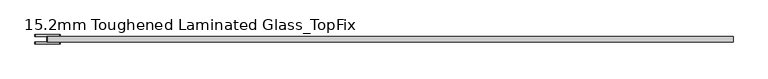
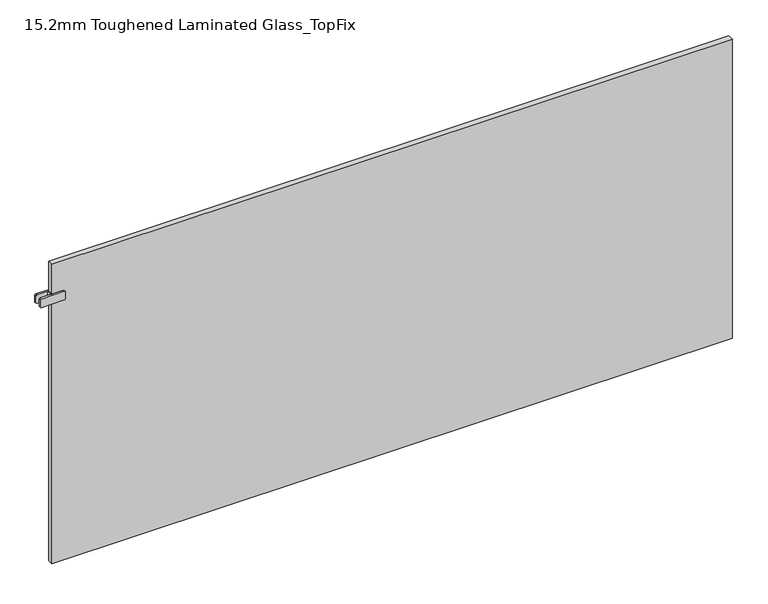
"""IFC4 building model written with IfcOpenShell, lengths in millimetres: plate geometry, 15.2mm Toughened Laminated Glass_TopFix."""

from ifc_helpers import new_model, si_unit, point, frame, frame_2d, origin, origin_with_axes, place, context, project, spatial, polyline, circle_curve, trimmed, segment, composite_curve, outline, extrude, source, transform, mapped, element, save


def plate_15_2mm_toughened_laminated_glass_topfix_8e17ea96(model_context):
    return source(origin(), model_context, "Body", "SweptSolid", [
        extrude(outline(polyline([(-947.5000001, -7.6), (-947.5000001, 7.6), (-942.5000001, 7.6), (-942.5000001, -7.6), (-947.5000001, -7.6)])), frame((0.0, 0.0, 766.5), z_axis=(0.0, 0.0, 1.0), x_axis=(1.0, 0.0, 0.0)), (0.0, 0.0, 1.0), 25.0),
        extrude(outline(composite_curve([segment(trimmed(circle_curve(frame_2d((769.5, -913.0000001)), 3.0), [point((766.5, -913.0000001))], [point((769.5, -910.0000001))], False, "CARTESIAN"), True, "CONTINUOUS"), segment(polyline([(769.5, -910.0000001), (788.5, -910.0000001)]), True, "CONTINUOUS"), segment(trimmed(circle_curve(frame_2d((788.5, -913.0000001)), 3.0), [point((788.5, -910.0000001))], [point((791.5, -913.0000001))], False, "CARTESIAN"), True, "CONTINUOUS"), segment(polyline([(791.5, -913.0000001), (791.5, -977.0000001)]), True, "CONTINUOUS"), segment(trimmed(circle_curve(frame_2d((788.5, -977.0000001)), 3.0), [point((791.5, -977.0000001))], [point((788.5, -980.0000001))], False, "CARTESIAN"), True, "CONTINUOUS"), segment(polyline([(788.5, -980.0000001), (769.5, -980.0000001)]), True, "CONTINUOUS"), segment(trimmed(circle_curve(frame_2d((769.5, -977.0000001)), 3.0), [point((769.5, -980.0000001))], [point((766.5, -977.0000001))], False, "CARTESIAN"), True, "CONTINUOUS"), segment(polyline([(766.5, -977.0000001), (766.5, -913.0000001)]), True, "CONTINUOUS")], self_intersect=False)), frame((0.0, 7.6, 0.0), z_axis=(0.0, 1.0, 0.0), x_axis=(0.0, 0.0, 1.0)), (0.0, 0.0, 1.0), 5.0),
        extrude(outline(composite_curve([segment(trimmed(circle_curve(frame_2d((769.5, -913.0000001)), 3.0), [point((766.5, -913.0000001))], [point((769.5, -910.0000001))], False, "CARTESIAN"), True, "CONTINUOUS"), segment(polyline([(769.5, -910.0000001), (788.5, -910.0000001)]), True, "CONTINUOUS"), segment(trimmed(circle_curve(frame_2d((788.5, -913.0000001)), 3.0), [point((788.5, -910.0000001))], [point((791.5, -913.0000001))], False, "CARTESIAN"), True, "CONTINUOUS"), segment(polyline([(791.5, -913.0000001), (791.5, -977.0000001)]), True, "CONTINUOUS"), segment(trimmed(circle_curve(frame_2d((788.5, -977.0000001)), 3.0), [point((791.5, -977.0000001))], [point((788.5, -980.0000001))], False, "CARTESIAN"), True, "CONTINUOUS"), segment(polyline([(788.5, -980.0000001), (769.5, -980.0000001)]), True, "CONTINUOUS"), segment(trimmed(circle_curve(frame_2d((769.5, -977.0000001)), 3.0), [point((769.5, -980.0000001))], [point((766.5, -977.0000001))], False, "CARTESIAN"), True, "CONTINUOUS"), segment(polyline([(766.5, -977.0000001), (766.5, -913.0000001)]), True, "CONTINUOUS")], self_intersect=False)), frame((0.0, -12.6, 0.0), z_axis=(0.0, 1.0, 0.0), x_axis=(0.0, 0.0, 1.0)), (0.0, 0.0, 1.0), 5.0),
        extrude(outline(polyline([(945.0000001, 7.6), (945.0000001, -7.6), (-945.0000001, -7.6), (-945.0000001, 7.6), (945.0000001, 7.6)])), origin_with_axes(), (0.0, 0.0, 1.0), 879.0),
    ])


if __name__ == "__main__":
    model = new_model("IFC4")
    model_context = context("Model", 3, world=origin())
    ifc_project = project(units=[si_unit("LENGTHUNIT", "METRE", prefix="MILLI")], contexts=[model_context])
    site = spatial("IfcSite", under=ifc_project)
    building = spatial("IfcBuilding", under=site)
    placement = place(None, origin())
    plate_15_2mm_toughened_laminated_glass_topfix_shape = plate_15_2mm_toughened_laminated_glass_topfix_8e17ea96(model_context)
    element("IfcPlate", 1, ObjectType="15.2mm Toughened Laminated Glass_TopFix", at=placement, inside=building, context=model_context, shape_type="MappedRepresentation", body=[
        mapped(plate_15_2mm_toughened_laminated_glass_topfix_shape, transform((0.0, 0.0, 0.0), x_axis=(1.0, 0.0, 0.0), y_axis=(0.0, 1.0, 0.0), z_axis=(0.0, 0.0, 1.0))),
    ])
    save(model, "model.ifc")
